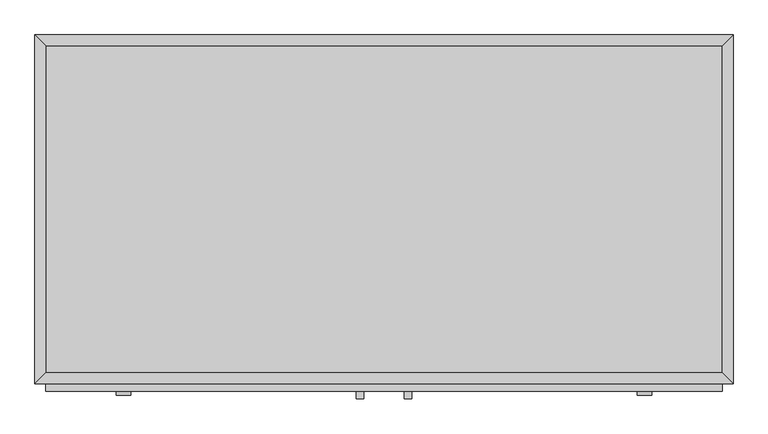
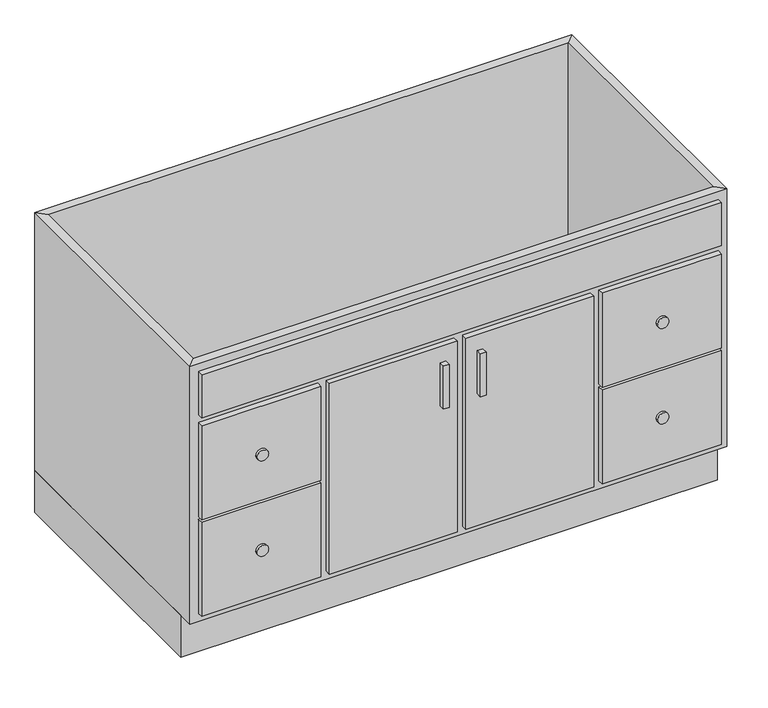
"""IFC4 building model written with IfcOpenShell, lengths in millimetres: furniture geometry."""

from ifc_helpers import new_model, si_unit, point, frame, frame_2d, origin, origin_with_axes, place, context, project, spatial, polyline, circle_curve, trimmed, segment, composite_curve, outline, extrude, faceted_brep, source, transform, mapped, element, save


def furniture_8e3bbaa9(model_context):
    return source(origin(), model_context, "Body", "SolidModel", [
        extrude(outline(polyline([(55.91996, -625.4), (43.21996, -625.4), (43.21996, -612.7), (55.91996, -612.7), (55.91996, -625.4)])), frame((0.0, 0.0, 430.6), z_axis=(0.0, 0.0, 1.0), x_axis=(1.0, 0.0, 0.0)), (0.0, 0.0, 1.0), 101.6),
        extrude(outline(polyline([(138.46996, -625.4), (125.76996, -625.4), (125.76996, -612.7), (138.46996, -612.7), (138.46996, -625.4)])), frame((0.0, 0.0, 430.6), z_axis=(0.0, 0.0, 1.0), x_axis=(1.0, 0.0, 0.0)), (0.0, 0.0, 1.0), 101.6),
        extrude(outline(polyline([(671.79496, -612.7), (-490.10504, -612.7), (-490.10504, -600.0), (671.79496, -600.0), (671.79496, -612.7)])), frame((0.0, 0.0, 589.35), z_axis=(0.0, 0.0, 1.0), x_axis=(1.0, 0.0, 0.0)), (0.0, 0.0, 1.0), 101.6),
        extrude(outline(polyline([(671.79496, -612.7), (405.13246, -612.7), (405.13246, -600.0), (671.79496, -600.0), (671.79496, -612.7)])), frame((0.0, 0.0, 347.85), z_axis=(0.0, 0.0, 1.0), x_axis=(1.0, 0.0, 0.0)), (0.0, 0.0, 1.0), 222.45),
        extrude(outline(polyline([(671.79496, -612.7), (405.13246, -612.7), (405.13246, -600.0), (671.79496, -600.0), (671.79496, -612.7)])), frame((0.0, 0.0, 119.05), z_axis=(0.0, 0.0, 1.0), x_axis=(1.0, 0.0, 0.0)), (0.0, 0.0, 1.0), 222.45),
        extrude(outline(polyline([(-223.44254, -612.7), (-490.10504, -612.7), (-490.10504, -600.0), (-223.44254, -600.0), (-223.44254, -612.7)])), frame((0.0, 0.0, 347.85), z_axis=(0.0, 0.0, 1.0), x_axis=(1.0, 0.0, 0.0)), (0.0, 0.0, 1.0), 222.45),
        extrude(outline(polyline([(-223.44254, -612.7), (-490.10504, -612.7), (-490.10504, -600.0), (-223.44254, -600.0), (-223.44254, -612.7)])), frame((0.0, 0.0, 119.05), z_axis=(0.0, 0.0, 1.0), x_axis=(1.0, 0.0, 0.0)), (0.0, 0.0, 1.0), 222.45),
        extrude(outline(polyline([(81.31996, -612.7), (-204.39254, -612.7), (-204.39254, -600.0), (81.31996, -600.0), (81.31996, -612.7)])), frame((0.0, 0.0, 119.05), z_axis=(0.0, 0.0, 1.0), x_axis=(1.0, 0.0, 0.0)), (0.0, 0.0, 1.0), 451.25),
        extrude(outline(polyline([(386.08246, -612.7), (100.36996, -612.7), (100.36996, -600.0), (386.08246, -600.0), (386.08246, -612.7)])), frame((0.0, 0.0, 119.05), z_axis=(0.0, 0.0, 1.0), x_axis=(1.0, 0.0, 0.0)), (0.0, 0.0, 1.0), 451.25),
        extrude(outline(composite_curve([segment(trimmed(circle_curve(frame_2d((457.4875, -356.77379)), 12.7), [point((457.4875, -369.47379))], [point((457.4875, -344.07379))], False, "CARTESIAN"), True, "CONTINUOUS"), segment(trimmed(circle_curve(frame_2d((457.4875, -356.77379)), 12.7), [point((457.4875, -344.07379))], [point((457.4875, -369.47379))], False, "CARTESIAN"), True, "CONTINUOUS")], self_intersect=False)), frame((0.0, -619.05, 0.0), z_axis=(0.0, 1.0, 0.0), x_axis=(0.0, 0.0, 1.0)), (0.0, 0.0, 1.0), 6.35),
        extrude(outline(composite_curve([segment(trimmed(circle_curve(frame_2d((231.8625, -356.77379)), 12.7), [point((231.8625, -369.47379))], [point((231.8625, -344.07379))], False, "CARTESIAN"), True, "CONTINUOUS"), segment(trimmed(circle_curve(frame_2d((231.8625, -356.77379)), 12.7), [point((231.8625, -344.07379))], [point((231.8625, -369.47379))], False, "CARTESIAN"), True, "CONTINUOUS")], self_intersect=False)), frame((0.0, -619.05, 0.0), z_axis=(0.0, 1.0, 0.0), x_axis=(0.0, 0.0, 1.0)), (0.0, 0.0, 1.0), 6.35),
        extrude(outline(composite_curve([segment(trimmed(circle_curve(frame_2d((231.8625, 538.46371)), 12.7), [point((231.8625, 525.76371))], [point((231.8625, 551.16371))], False, "CARTESIAN"), True, "CONTINUOUS"), segment(trimmed(circle_curve(frame_2d((231.8625, 538.46371)), 12.7), [point((231.8625, 551.16371))], [point((231.8625, 525.76371))], False, "CARTESIAN"), True, "CONTINUOUS")], self_intersect=False)), frame((0.0, -619.05, 0.0), z_axis=(0.0, 1.0, 0.0), x_axis=(0.0, 0.0, 1.0)), (0.0, 0.0, 1.0), 6.35),
        extrude(outline(composite_curve([segment(trimmed(circle_curve(frame_2d((457.4875, 538.46371)), 12.7), [point((457.4875, 525.76371))], [point((457.4875, 551.16371))], False, "CARTESIAN"), True, "CONTINUOUS"), segment(trimmed(circle_curve(frame_2d((457.4875, 538.46371)), 12.7), [point((457.4875, 551.16371))], [point((457.4875, 525.76371))], False, "CARTESIAN"), True, "CONTINUOUS")], self_intersect=False)), frame((0.0, -619.05, 0.0), z_axis=(0.0, 1.0, 0.0), x_axis=(0.0, 0.0, 1.0)), (0.0, 0.0, 1.0), 6.35),
        extrude(outline(polyline([(671.79496, -19.05), (671.79496, -580.95), (-490.10504, -580.95), (-490.10504, -19.05), (671.79496, -19.05)])), frame((0.0, 0.0, 100.0), z_axis=(0.0, 0.0, 1.0), x_axis=(1.0, 0.0, 0.0)), (0.0, 0.0, 1.0), 19.05),
        faceted_brep([(671.79496, -580.95, 710.0), (671.79496, -580.95, 100.0), (-490.10504, -580.95, 100.0), (-490.10504, -580.95, 710.0), (690.84496, -600.0, 710.0), (-509.15504, -600.0, 710.0), (690.84496, -600.0, 100.0), (-509.15504, -600.0, 100.0), (-490.10504, -19.05, 100.0), (-490.10504, -19.05, 710.0), (-509.15504, 0.0, 710.0), (-509.15504, 0.0, 100.0), (671.79496, -19.05, 100.0), (671.79496, -19.05, 710.0), (690.84496, 0.0, 710.0), (690.84496, 0.0, 100.0)], [[[0, 1, 2, 3]], [[4, 0, 3, 5]], [[6, 4, 5, 7]], [[1, 6, 7, 2]], [[3, 2, 8, 9]], [[5, 3, 9, 10]], [[7, 5, 10, 11]], [[2, 7, 11, 8]], [[9, 8, 12, 13]], [[10, 9, 13, 14]], [[11, 10, 14, 15]], [[8, 11, 15, 12]], [[13, 12, 1, 0]], [[14, 13, 0, 4]], [[15, 14, 4, 6]], [[12, 15, 6, 1]]]),
        extrude(outline(polyline([(690.84496, 0.0), (690.84496, -565.0), (-509.15504, -565.0), (-509.15504, 0.0), (690.84496, 0.0)])), origin_with_axes(), (0.0, 0.0, 1.0), 100.0),
    ])


if __name__ == "__main__":
    model = new_model("IFC4")
    model_context = context("Model", 3, world=origin())
    ifc_project = project(units=[si_unit("LENGTHUNIT", "METRE", prefix="MILLI")], contexts=[model_context])
    site = spatial("IfcSite", under=ifc_project)
    building = spatial("IfcBuilding", under=site)
    placement = place(None, origin())
    furniture_shape = furniture_8e3bbaa9(model_context)
    element("IfcFurniture", 1, at=placement, inside=building, context=model_context, shape_type="MappedRepresentation", body=[
        mapped(furniture_shape, transform((0.0, 0.0, 0.0), x_axis=(1.0, 0.0, 0.0), y_axis=(0.0, 1.0, 0.0), z_axis=(0.0, 0.0, 1.0))),
    ])
    save(model, "model.ifc")
